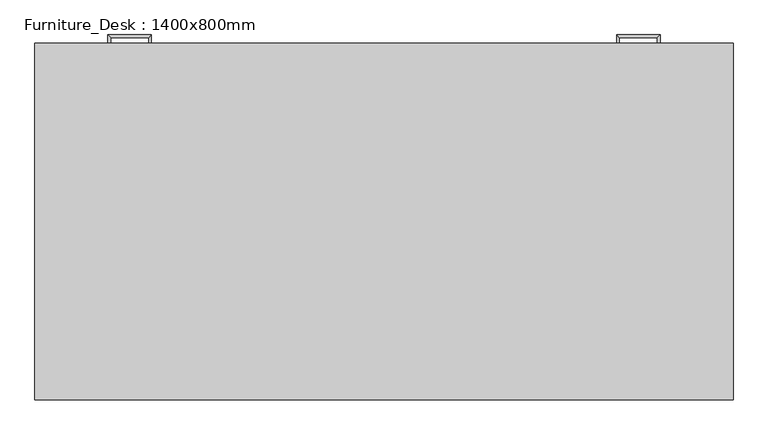
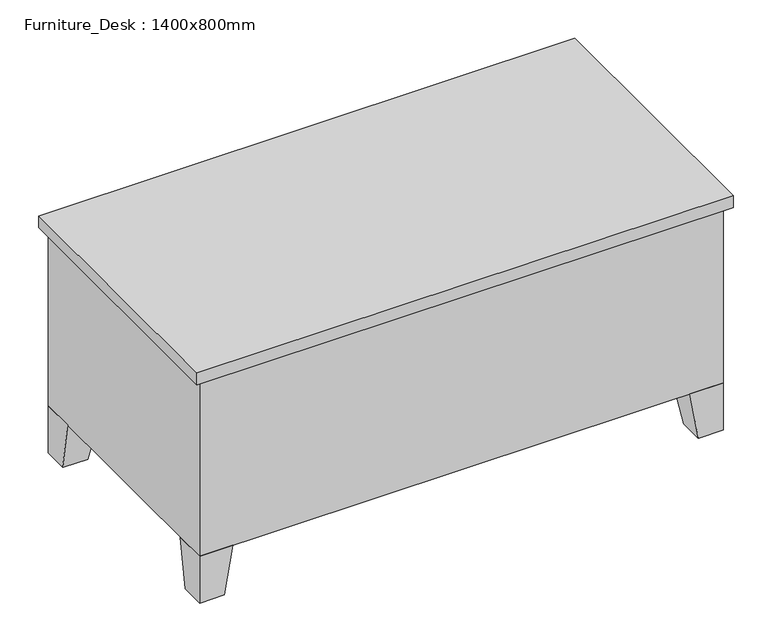
"""IFC4 building model written with IfcOpenShell, lengths in millimetres: furniture geometry, Furniture_Desk : 1400x800mm."""

from ifc_helpers import new_model, si_unit, frame, origin, place, context, project, spatial, polyline, outline, extrude, faceted_brep, source, transform, mapped, element, save


def furniture_desk_1400x800mm_32402bd6(model_context):
    return source(origin(), model_context, "Body", "SolidModel", [
        extrude(outline(polyline([(1580.95, 800.0), (1212.65, 800.0), (1212.65, 812.7), (1580.95, 812.7), (1580.95, 800.0)])), frame((0.0, 0.0, 603.25), z_axis=(0.0, 0.0, 1.0), x_axis=(1.0, 0.0, 0.0)), (0.0, 0.0, 1.0), 101.6),
        extrude(outline(polyline([(1580.95, 800.0), (1212.65, 800.0), (1212.65, 812.7), (1580.95, 812.7), (1580.95, 800.0)])), frame((0.0, 0.0, 171.05), z_axis=(0.0, 0.0, 1.0), x_axis=(1.0, 0.0, 0.0)), (0.0, 0.0, 1.0), 413.15),
        extrude(outline(polyline([(387.35, 800.0), (19.05, 800.0), (19.05, 812.7), (387.35, 812.7), (387.35, 800.0)])), frame((0.0, 0.0, 602.85), z_axis=(0.0, 0.0, 1.0), x_axis=(1.0, 0.0, 0.0)), (0.0, 0.0, 1.0), 102.0),
        extrude(outline(polyline([(387.35, 800.0), (19.05, 800.0), (19.05, 812.7), (387.35, 812.7), (387.35, 800.0)])), frame((0.0, 0.0, 171.05), z_axis=(0.0, 0.0, 1.0), x_axis=(1.0, 0.0, 0.0)), (0.0, 0.0, 1.0), 171.45),
        extrude(outline(polyline([(387.35, 800.0), (19.05, 800.0), (19.05, 812.7), (387.35, 812.7), (387.35, 800.0)])), frame((0.0, 0.0, 482.2), z_axis=(0.0, 0.0, 1.0), x_axis=(1.0, 0.0, 0.0)), (0.0, 0.0, 1.0), 101.6),
        extrude(outline(polyline([(387.35, 800.0), (19.05, 800.0), (19.05, 812.7), (387.35, 812.7), (387.35, 800.0)])), frame((0.0, 0.0, 361.55), z_axis=(0.0, 0.0, 1.0), x_axis=(1.0, 0.0, 0.0)), (0.0, 0.0, 1.0), 101.6),
        faceted_brep([(1498.4, 800.0, 152.0), (1498.4, 698.4, 152.0), (1600.0, 698.4, 152.0), (1600.0, 800.0, 152.0), (1523.8, 800.0, 0.0), (1600.0, 800.0, 0.0), (1600.0, 723.8, 0.0), (1523.8, 723.8, 0.0)], [[[0, 1, 2, 3]], [[4, 5, 6, 7]], [[4, 7, 1, 0]], [[7, 6, 2, 1]], [[6, 5, 3, 2]], [[5, 4, 0, 3]]]),
        faceted_brep([(1498.4, 0.0, 152.0), (1600.0, 0.0, 152.0), (1600.0, 101.6, 152.0), (1498.4, 101.6, 152.0), (1523.8, 0.0, 0.0), (1523.8, 76.2, 0.0), (1600.0, 76.2, 0.0), (1600.0, 0.0, 0.0)], [[[0, 1, 2, 3]], [[4, 5, 6, 7]], [[4, 7, 1, 0]], [[7, 6, 2, 1]], [[6, 5, 3, 2]], [[5, 4, 0, 3]]]),
        faceted_brep([(101.6, 0.0, 152.0), (101.6, 101.6, 152.0), (0.0, 101.6, 152.0), (0.0, 0.0, 152.0), (76.2, 0.0, 0.0), (0.0, 0.0, 0.0), (0.0, 76.2, 0.0), (76.2, 76.2, 0.0)], [[[0, 1, 2, 3]], [[4, 5, 6, 7]], [[4, 7, 1, 0]], [[7, 6, 2, 1]], [[6, 5, 3, 2]], [[5, 4, 0, 3]]]),
        faceted_brep([(101.6, 800.0, 152.0), (0.0, 800.0, 152.0), (0.0, 698.4, 152.0), (101.6, 698.4, 152.0), (76.2, 800.0, 0.0), (76.2, 723.8, 0.0), (0.0, 723.8, 0.0), (0.0, 800.0, 0.0)], [[[0, 1, 2, 3]], [[4, 5, 6, 7]], [[4, 7, 1, 0]], [[7, 6, 2, 1]], [[6, 5, 3, 2]], [[5, 4, 0, 3]]]),
        extrude(outline(polyline([(1619.05, 819.05), (1619.05, -19.05), (-19.05, -19.05), (-19.05, 819.05), (1619.05, 819.05)])), frame((0.0, 0.0, 723.9), z_axis=(0.0, 0.0, 1.0), x_axis=(1.0, 0.0, 0.0)), (0.0, 0.0, 1.0), 38.1),
        extrude(outline(polyline([(406.4, 800.0), (406.4, 50.8), (1193.6, 50.8), (1193.6, 800.0), (1600.0, 800.0), (1600.0, 0.0), (0.0, 0.0), (0.0, 800.0), (406.4, 800.0)])), frame((0.0, 0.0, 152.0), z_axis=(0.0, 0.0, 1.0), x_axis=(1.0, 0.0, 0.0)), (0.0, 0.0, 1.0), 571.9),
        faceted_brep([(1441.25, 812.7, 546.1), (1441.25, 812.7, 533.4), (1447.6, 812.7, 533.4), (1447.6, 812.7, 546.1), (1441.25, 831.75, 546.1), (1441.25, 831.75, 533.4), (1447.6, 838.1, 533.4), (1447.6, 838.1, 546.1), (1352.35, 831.75, 546.1), (1352.35, 831.75, 533.4), (1346.0, 838.1, 533.4), (1346.0, 838.1, 546.1), (1352.35, 812.7, 546.1), (1346.0, 812.7, 546.1), (1346.0, 812.7, 533.4), (1352.35, 812.7, 533.4)], [[[0, 1, 2, 3]], [[1, 0, 4, 5]], [[2, 1, 5, 6]], [[3, 2, 6, 7]], [[0, 3, 7, 4]], [[5, 4, 8, 9]], [[6, 5, 9, 10]], [[7, 6, 10, 11]], [[4, 7, 11, 8]], [[12, 13, 14, 15]], [[9, 8, 12, 15]], [[10, 9, 15, 14]], [[11, 10, 14, 13]], [[8, 11, 13, 12]]]),
        faceted_brep([(1441.25, 812.7, 666.75), (1441.25, 812.7, 654.05), (1447.6, 812.7, 654.05), (1447.6, 812.7, 666.75), (1441.25, 831.75, 666.75), (1441.25, 831.75, 654.05), (1447.6, 838.1, 654.05), (1447.6, 838.1, 666.75), (1352.35, 831.75, 666.75), (1352.35, 831.75, 654.05), (1346.0, 838.1, 654.05), (1346.0, 838.1, 666.75), (1352.35, 812.7, 666.75), (1346.0, 812.7, 666.75), (1346.0, 812.7, 654.05), (1352.35, 812.7, 654.05)], [[[0, 1, 2, 3]], [[1, 0, 4, 5]], [[2, 1, 5, 6]], [[3, 2, 6, 7]], [[0, 3, 7, 4]], [[5, 4, 8, 9]], [[6, 5, 9, 10]], [[7, 6, 10, 11]], [[4, 7, 11, 8]], [[12, 13, 14, 15]], [[9, 8, 12, 15]], [[10, 9, 15, 14]], [[11, 10, 14, 13]], [[8, 11, 13, 12]]]),
        faceted_brep([(158.75, 812.7, 304.8), (152.4, 812.7, 304.8), (152.4, 812.7, 292.1), (158.75, 812.7, 292.1), (158.75, 831.75, 304.8), (152.4, 838.1, 304.8), (152.4, 838.1, 292.1), (158.75, 831.75, 292.1), (247.65, 831.75, 304.8), (254.0, 838.1, 304.8), (254.0, 838.1, 292.1), (247.65, 831.75, 292.1), (247.65, 812.7, 304.8), (247.65, 812.7, 292.1), (254.0, 812.7, 292.1), (254.0, 812.7, 304.8)], [[[0, 1, 2, 3]], [[1, 0, 4, 5]], [[2, 1, 5, 6]], [[3, 2, 6, 7]], [[0, 3, 7, 4]], [[5, 4, 8, 9]], [[6, 5, 9, 10]], [[7, 6, 10, 11]], [[4, 7, 11, 8]], [[12, 13, 14, 15]], [[9, 8, 12, 15]], [[10, 9, 15, 14]], [[11, 10, 14, 13]], [[8, 11, 13, 12]]]),
        faceted_brep([(158.75, 812.7, 425.45), (152.4, 812.7, 425.45), (152.4, 812.7, 412.75), (158.75, 812.7, 412.75), (158.75, 831.75, 425.45), (152.4, 838.1, 425.45), (152.4, 838.1, 412.75), (158.75, 831.75, 412.75), (247.65, 831.75, 425.45), (254.0, 838.1, 425.45), (254.0, 838.1, 412.75), (247.65, 831.75, 412.75), (247.65, 812.7, 425.45), (247.65, 812.7, 412.75), (254.0, 812.7, 412.75), (254.0, 812.7, 425.45)], [[[0, 1, 2, 3]], [[1, 0, 4, 5]], [[2, 1, 5, 6]], [[3, 2, 6, 7]], [[0, 3, 7, 4]], [[5, 4, 8, 9]], [[6, 5, 9, 10]], [[7, 6, 10, 11]], [[4, 7, 11, 8]], [[12, 13, 14, 15]], [[9, 8, 12, 15]], [[10, 9, 15, 14]], [[11, 10, 14, 13]], [[8, 11, 13, 12]]]),
        faceted_brep([(158.75, 812.7, 546.1), (152.4, 812.7, 546.1), (152.4, 812.7, 533.4), (158.75, 812.7, 533.4), (158.75, 831.75, 546.1), (152.4, 838.1, 546.1), (152.4, 838.1, 533.4), (158.75, 831.75, 533.4), (247.65, 831.75, 546.1), (254.0, 838.1, 546.1), (254.0, 838.1, 533.4), (247.65, 831.75, 533.4), (247.65, 812.7, 546.1), (247.65, 812.7, 533.4), (254.0, 812.7, 533.4), (254.0, 812.7, 546.1)], [[[0, 1, 2, 3]], [[1, 0, 4, 5]], [[2, 1, 5, 6]], [[3, 2, 6, 7]], [[0, 3, 7, 4]], [[5, 4, 8, 9]], [[6, 5, 9, 10]], [[7, 6, 10, 11]], [[4, 7, 11, 8]], [[12, 13, 14, 15]], [[9, 8, 12, 15]], [[10, 9, 15, 14]], [[11, 10, 14, 13]], [[8, 11, 13, 12]]]),
        faceted_brep([(158.75, 812.7, 666.75), (152.4, 812.7, 666.75), (152.4, 812.7, 654.05), (158.75, 812.7, 654.05), (158.75, 831.75, 666.75), (152.4, 838.1, 666.75), (152.4, 838.1, 654.05), (158.75, 831.75, 654.05), (247.65, 831.75, 666.75), (254.0, 838.1, 666.75), (254.0, 838.1, 654.05), (247.65, 831.75, 654.05), (247.65, 812.7, 666.75), (247.65, 812.7, 654.05), (254.0, 812.7, 654.05), (254.0, 812.7, 666.75)], [[[0, 1, 2, 3]], [[1, 0, 4, 5]], [[2, 1, 5, 6]], [[3, 2, 6, 7]], [[0, 3, 7, 4]], [[5, 4, 8, 9]], [[6, 5, 9, 10]], [[7, 6, 10, 11]], [[4, 7, 11, 8]], [[12, 13, 14, 15]], [[9, 8, 12, 15]], [[10, 9, 15, 14]], [[11, 10, 14, 13]], [[8, 11, 13, 12]]]),
    ])


if __name__ == "__main__":
    model = new_model("IFC4")
    model_context = context("Model", 3, world=origin())
    ifc_project = project(units=[si_unit("LENGTHUNIT", "METRE", prefix="MILLI")], contexts=[model_context])
    site = spatial("IfcSite", under=ifc_project)
    building = spatial("IfcBuilding", under=site)
    placement = place(None, origin())
    furniture_desk_1400x800mm_shape = furniture_desk_1400x800mm_32402bd6(model_context)
    element("IfcFurniture", 1, ObjectType="Furniture_Desk : 1400x800mm", at=placement, inside=building, context=model_context, shape_type="MappedRepresentation", body=[
        mapped(furniture_desk_1400x800mm_shape, transform((0.0, 0.0, 0.0), x_axis=(1.0, 0.0, 0.0), y_axis=(0.0, 1.0, 0.0), z_axis=(0.0, 0.0, 1.0))),
    ])
    save(model, "model.ifc")
